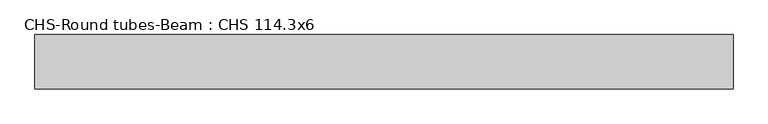
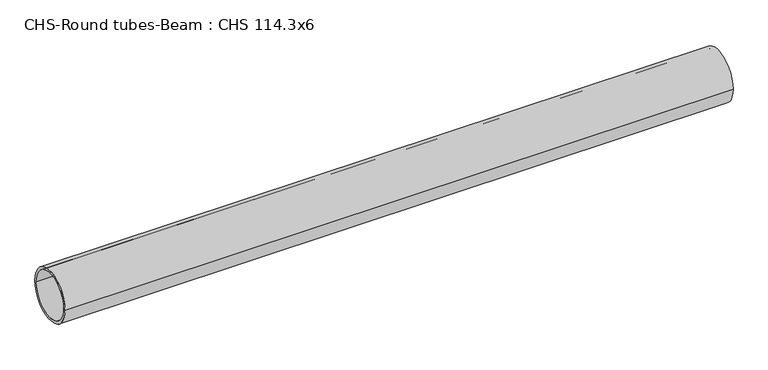
"""IFC4 building model written with IfcOpenShell, lengths in millimetres: beam geometry, CHS-Round tubes-Beam : CHS 114.3x6."""

from ifc_helpers import new_model, si_unit, point, frame, origin, origin_2d, place, context, project, spatial, circle_curve, trimmed, segment, composite_curve, outline, extrude, source, transform, mapped, element, save


def chs_round_tubes_beam_chs_114_3x6_f9489dc5(model_context):
    return source(origin(), model_context, "Body", "SweptSolid", [
        extrude(outline(composite_curve([segment(trimmed(circle_curve(origin_2d(), 57.15), [point((57.15, 0.0))], [point((-57.15, 0.0))], False, "CARTESIAN"), True, "CONTINUOUS"), segment(trimmed(circle_curve(origin_2d(), 57.15), [point((-57.15, 0.0))], [point((57.15, 0.0))], False, "CARTESIAN"), True, "CONTINUOUS")], self_intersect=False), holes=[composite_curve([segment(trimmed(circle_curve(origin_2d(), 51.15), [point((51.15, 0.0))], [point((-51.15, 0.0))], True, "CARTESIAN"), True, "CONTINUOUS"), segment(trimmed(circle_curve(origin_2d(), 51.15), [point((-51.15, 0.0))], [point((51.15, 0.0))], True, "CARTESIAN"), True, "CONTINUOUS")], self_intersect=False)]), frame((-702.7334388, 0.0, 0.0), z_axis=(1.0, 0.0, 0.0), x_axis=(0.0, 1.0, 0.0)), (0.0, 0.0, 1.0), 1465.7745257),
    ])


if __name__ == "__main__":
    model = new_model("IFC4")
    model_context = context("Model", 3, world=origin())
    ifc_project = project(units=[si_unit("LENGTHUNIT", "METRE", prefix="MILLI")], contexts=[model_context])
    site = spatial("IfcSite", under=ifc_project)
    building = spatial("IfcBuilding", under=site)
    placement = place(None, origin())
    chs_round_tubes_beam_chs_114_3x6_shape = chs_round_tubes_beam_chs_114_3x6_f9489dc5(model_context)
    element("IfcBeam", 1, ObjectType="CHS-Round tubes-Beam : CHS 114.3x6", at=placement, inside=building, context=model_context, shape_type="MappedRepresentation", body=[
        mapped(chs_round_tubes_beam_chs_114_3x6_shape, transform((0.0, 0.0, 0.0), x_axis=(1.0, 0.0, 0.0), y_axis=(0.0, 1.0, 0.0), z_axis=(0.0, 0.0, 1.0))),
    ])
    save(model, "model.ifc")
